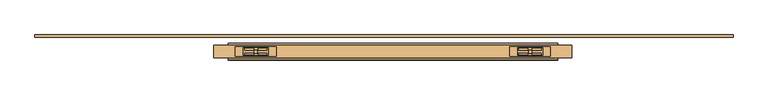
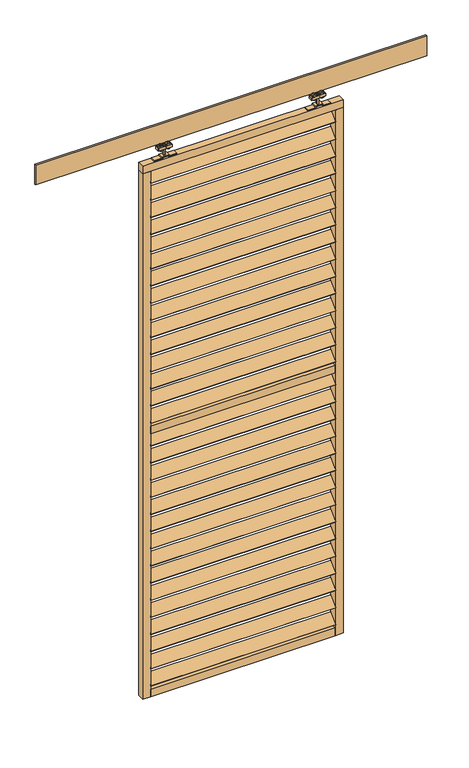
"""IFC4 building model written with IfcOpenShell, lengths in millimetres: door geometry."""

from ifc_helpers import new_model, si_unit, point, frame, frame_2d, origin, place, context, project, spatial, polyline, circle_curve, trimmed, segment, composite_curve, outline, extrude, source, transform, mapped, element, save


def door_120f4357(model_context):
    return source(origin(), model_context, "Body", "SweptSolid", [
        extrude(outline(polyline([(0.0, -5.0), (0.0, 0.0), (920.0, 0.0), (920.0, -5.0), (0.0, -5.0)])), frame((-362.5, -24.1880102, 2657.6261725), z_axis=(0.0, 0.7071067811865482, 0.707106781186547), x_axis=(1.0, 0.0, 0.0)), (0.0, 0.0, 1.0), 60.0),
        extrude(outline(polyline([(0.0, -5.0), (0.0, 0.0), (920.0, 0.0), (920.0, -5.0), (0.0, -5.0)])), frame((-362.5, -24.1880102, 2567.2333153), z_axis=(0.0, 0.7071067811865482, 0.707106781186547), x_axis=(1.0, 0.0, 0.0)), (0.0, 0.0, 1.0), 60.0),
        extrude(outline(polyline([(0.0, -5.0), (0.0, 0.0), (920.0, 0.0), (920.0, -5.0), (0.0, -5.0)])), frame((-362.5, -24.1880102, 2476.8404582), z_axis=(0.0, 0.7071067811865482, 0.707106781186547), x_axis=(1.0, 0.0, 0.0)), (0.0, 0.0, 1.0), 60.0),
        extrude(outline(polyline([(0.0, -5.0), (0.0, 0.0), (920.0, 0.0), (920.0, -5.0), (0.0, -5.0)])), frame((-362.5, -24.1880102, 2386.447601), z_axis=(0.0, 0.7071067811865482, 0.707106781186547), x_axis=(1.0, 0.0, 0.0)), (0.0, 0.0, 1.0), 60.0),
        extrude(outline(polyline([(0.0, -5.0), (0.0, 0.0), (920.0, 0.0), (920.0, -5.0), (0.0, -5.0)])), frame((-362.5, -24.1880102, 1272.1261725), z_axis=(0.0, 0.7071067811865482, 0.707106781186547), x_axis=(1.0, 0.0, 0.0)), (0.0, 0.0, 1.0), 60.0),
        extrude(outline(polyline([(0.0, -5.0), (0.0, 0.0), (920.0, 0.0), (920.0, -5.0), (0.0, -5.0)])), frame((-362.5, -24.1880102, 1181.7333153), z_axis=(0.0, 0.7071067811865482, 0.707106781186547), x_axis=(1.0, 0.0, 0.0)), (0.0, 0.0, 1.0), 60.0),
        extrude(outline(polyline([(0.0, -5.0), (0.0, 0.0), (920.0, 0.0), (920.0, -5.0), (0.0, -5.0)])), frame((-362.5, -24.1880102, 1091.3404582), z_axis=(0.0, 0.7071067811865482, 0.707106781186547), x_axis=(1.0, 0.0, 0.0)), (0.0, 0.0, 1.0), 60.0),
        extrude(outline(polyline([(0.0, -5.0), (0.0, 0.0), (920.0, 0.0), (920.0, -5.0), (0.0, -5.0)])), frame((-362.5, -24.1880102, 1000.947601), z_axis=(0.0, 0.7071067811865482, 0.707106781186547), x_axis=(1.0, 0.0, 0.0)), (0.0, 0.0, 1.0), 60.0),
        extrude(outline(polyline([(0.0, -5.0), (0.0, 0.0), (920.0, 0.0), (920.0, -5.0), (0.0, -5.0)])), frame((-362.5, -24.1880102, 2296.0547439), z_axis=(0.0, 0.7071067811865482, 0.707106781186547), x_axis=(1.0, 0.0, 0.0)), (0.0, 0.0, 1.0), 60.0),
        extrude(outline(polyline([(0.0, -5.0), (0.0, 0.0), (920.0, 0.0), (920.0, -5.0), (0.0, -5.0)])), frame((-362.5, -24.1880102, 2205.6618868), z_axis=(0.0, 0.7071067811865482, 0.707106781186547), x_axis=(1.0, 0.0, 0.0)), (0.0, 0.0, 1.0), 60.0),
        extrude(outline(polyline([(0.0, -5.0), (0.0, 0.0), (920.0, 0.0), (920.0, -5.0), (0.0, -5.0)])), frame((-362.5, -24.1880102, 2115.2690296), z_axis=(0.0, 0.7071067811865482, 0.707106781186547), x_axis=(1.0, 0.0, 0.0)), (0.0, 0.0, 1.0), 60.0),
        extrude(outline(polyline([(0.0, -5.0), (0.0, 0.0), (920.0, 0.0), (920.0, -5.0), (0.0, -5.0)])), frame((-362.5, -24.1880102, 2024.8761725), z_axis=(0.0, 0.7071067811865482, 0.707106781186547), x_axis=(1.0, 0.0, 0.0)), (0.0, 0.0, 1.0), 60.0),
        extrude(outline(polyline([(0.0, -5.0), (0.0, 0.0), (920.0, 0.0), (920.0, -5.0), (0.0, -5.0)])), frame((-362.5, -24.1880102, 910.5547439), z_axis=(0.0, 0.7071067811865482, 0.707106781186547), x_axis=(1.0, 0.0, 0.0)), (0.0, 0.0, 1.0), 60.0),
        extrude(outline(polyline([(0.0, -5.0), (0.0, 0.0), (920.0, 0.0), (920.0, -5.0), (0.0, -5.0)])), frame((-362.5, -24.1880102, 820.1618868), z_axis=(0.0, 0.7071067811865482, 0.707106781186547), x_axis=(1.0, 0.0, 0.0)), (0.0, 0.0, 1.0), 60.0),
        extrude(outline(polyline([(0.0, -5.0), (0.0, 0.0), (920.0, 0.0), (920.0, -5.0), (0.0, -5.0)])), frame((-362.5, -24.1880102, 729.7690296), z_axis=(0.0, 0.7071067811865482, 0.707106781186547), x_axis=(1.0, 0.0, 0.0)), (0.0, 0.0, 1.0), 60.0),
        extrude(outline(polyline([(0.0, -5.0), (0.0, 0.0), (920.0, 0.0), (920.0, -5.0), (0.0, -5.0)])), frame((-362.5, -24.1880102, 639.3761725), z_axis=(0.0, 0.7071067811865482, 0.707106781186547), x_axis=(1.0, 0.0, 0.0)), (0.0, 0.0, 1.0), 60.0),
        extrude(outline(polyline([(0.0, -5.0), (0.0, 0.0), (920.0, 0.0), (920.0, -5.0), (0.0, -5.0)])), frame((-362.5, -24.1880102, 1934.4833153), z_axis=(0.0, 0.7071067811865482, 0.707106781186547), x_axis=(1.0, 0.0, 0.0)), (0.0, 0.0, 1.0), 60.0),
        extrude(outline(polyline([(0.0, -5.0), (0.0, 0.0), (920.0, 0.0), (920.0, -5.0), (0.0, -5.0)])), frame((-362.5, -24.1880102, 1844.0904582), z_axis=(0.0, 0.7071067811865482, 0.707106781186547), x_axis=(1.0, 0.0, 0.0)), (0.0, 0.0, 1.0), 60.0),
        extrude(outline(polyline([(0.0, -5.0), (0.0, 0.0), (920.0, 0.0), (920.0, -5.0), (0.0, -5.0)])), frame((-362.5, -24.1880102, 1753.697601), z_axis=(0.0, 0.7071067811865482, 0.707106781186547), x_axis=(1.0, 0.0, 0.0)), (0.0, 0.0, 1.0), 60.0),
        extrude(outline(polyline([(0.0, -5.0), (0.0, 0.0), (920.0, 0.0), (920.0, -5.0), (0.0, -5.0)])), frame((-362.5, -24.1880102, 1663.3047439), z_axis=(0.0, 0.7071067811865482, 0.707106781186547), x_axis=(1.0, 0.0, 0.0)), (0.0, 0.0, 1.0), 60.0),
        extrude(outline(polyline([(0.0, -5.0), (0.0, 0.0), (920.0, 0.0), (920.0, -5.0), (0.0, -5.0)])), frame((-362.5, -24.1880102, 1572.9118868), z_axis=(0.0, 0.7071067811865482, 0.707106781186547), x_axis=(1.0, 0.0, 0.0)), (0.0, 0.0, 1.0), 60.0),
        extrude(outline(polyline([(0.0, -5.0), (0.0, 0.0), (920.0, 0.0), (920.0, -5.0), (0.0, -5.0)])), frame((-362.5, -24.1880102, 2748.0190296), z_axis=(0.0, 0.7071067811865482, 0.707106781186547), x_axis=(1.0, 0.0, 0.0)), (0.0, 0.0, 1.0), 60.0),
        extrude(outline(polyline([(0.0, -5.0), (0.0, 0.0), (920.0, 0.0), (920.0, -5.0), (0.0, -5.0)])), frame((-362.5, -24.1880102, 1482.5190296), z_axis=(0.0, 0.7071067811865482, 0.707106781186547), x_axis=(1.0, 0.0, 0.0)), (0.0, 0.0, 1.0), 60.0),
        extrude(outline(polyline([(0.0, -5.0), (0.0, 0.0), (920.0, 0.0), (920.0, -5.0), (0.0, -5.0)])), frame((-362.5, -24.1880102, 548.9833153), z_axis=(0.0, 0.7071067811865482, 0.707106781186547), x_axis=(1.0, 0.0, 0.0)), (0.0, 0.0, 1.0), 60.0),
        extrude(outline(polyline([(0.0, -5.0), (0.0, 0.0), (920.0, 0.0), (920.0, -5.0), (0.0, -5.0)])), frame((-362.5, -24.1880102, 458.5904582), z_axis=(0.0, 0.7071067811865482, 0.707106781186547), x_axis=(1.0, 0.0, 0.0)), (0.0, 0.0, 1.0), 60.0),
        extrude(outline(polyline([(0.0, -5.0), (0.0, 0.0), (920.0, 0.0), (920.0, -5.0), (0.0, -5.0)])), frame((-362.5, -24.1880102, 368.197601), z_axis=(0.0, 0.7071067811865482, 0.707106781186547), x_axis=(1.0, 0.0, 0.0)), (0.0, 0.0, 1.0), 60.0),
        extrude(outline(polyline([(0.0, -5.0), (0.0, 0.0), (920.0, 0.0), (920.0, -5.0), (0.0, -5.0)])), frame((-362.5, -24.1880102, 277.8047439), z_axis=(0.0, 0.7071067811865482, 0.707106781186547), x_axis=(1.0, 0.0, 0.0)), (0.0, 0.0, 1.0), 60.0),
        extrude(outline(polyline([(0.0, -5.0), (0.0, 0.0), (920.0, 0.0), (920.0, -5.0), (0.0, -5.0)])), frame((-362.5, -24.1880102, 187.4118868), z_axis=(0.0, 0.7071067811865482, 0.707106781186547), x_axis=(1.0, 0.0, 0.0)), (0.0, 0.0, 1.0), 60.0),
        extrude(outline(polyline([(0.0, -5.0), (0.0, 0.0), (920.0, 0.0), (920.0, -5.0), (0.0, -5.0)])), frame((-362.5, -24.1880102, 1362.5190296), z_axis=(0.0, 0.7071067811865482, 0.707106781186547), x_axis=(1.0, 0.0, 0.0)), (0.0, 0.0, 1.0), 60.0),
        extrude(outline(polyline([(0.0, -5.0), (0.0, 0.0), (920.0, 0.0), (920.0, -5.0), (0.0, -5.0)])), frame((-362.5, -24.1880102, 97.0190296), z_axis=(0.0, 0.7071067811865482, 0.707106781186547), x_axis=(1.0, 0.0, 0.0)), (0.0, 0.0, 1.0), 60.0),
        extrude(outline(polyline([(557.5, -22.2425737), (-362.5, -22.2425737), (-362.5, 12.7574263), (557.5, 12.7574263), (557.5, -22.2425737)])), frame((0.0, 0.0, 1425.5), z_axis=(0.0, 0.0, 1.0), x_axis=(1.0, 0.0, 0.0)), (0.0, 0.0, 1.0), 40.0),
        extrude(outline(polyline([(557.5, -22.2425737), (-362.5, -22.2425737), (-362.5, 12.7574263), (557.5, 12.7574263), (557.5, -22.2425737)])), frame((0.0, 0.0, 40.0), z_axis=(0.0, 0.0, 1.0), x_axis=(1.0, 0.0, 0.0)), (0.0, 0.0, 1.0), 40.0),
        extrude(outline(polyline([(597.5, -22.2425737), (-402.5, -22.2425737), (-402.5, 12.7574263), (597.5, 12.7574263), (597.5, -22.2425737)])), frame((0.0, 0.0, 2811.0), z_axis=(0.0, 0.0, 1.0), x_axis=(1.0, 0.0, 0.0)), (0.0, 0.0, 1.0), 40.0),
        extrude(outline(polyline([(-362.5, -22.2425737), (-402.5, -22.2425737), (-402.5, 12.7574263), (-362.5, 12.7574263), (-362.5, -22.2425737)])), frame((0.0, 0.0, 40.0), z_axis=(0.0, 0.0, 1.0), x_axis=(1.0, 0.0, 0.0)), (0.0, 0.0, 1.0), 2771.0),
        extrude(outline(polyline([(597.5, -22.2425737), (557.5, -22.2425737), (557.5, 12.7574263), (597.5, 12.7574263), (597.5, -22.2425737)])), frame((0.0, 0.0, 40.0), z_axis=(0.0, 0.0, 1.0), x_axis=(1.0, 0.0, 0.0)), (0.0, 0.0, 1.0), 2771.0),
        extrude(outline(composite_curve([segment(trimmed(circle_curve(frame_2d((2904.430297, -304.25)), 13.5), [point((2904.430297, -317.75))], [point((2904.430297, -290.75))], False, "CARTESIAN"), True, "CONTINUOUS"), segment(trimmed(circle_curve(frame_2d((2904.430297, -304.25)), 13.5), [point((2904.430297, -290.75))], [point((2904.430297, -317.75))], False, "CARTESIAN"), True, "CONTINUOUS")], self_intersect=False)), frame((0.0, -13.9509888, 0.0), z_axis=(0.0, 1.0, 0.0), x_axis=(0.0, 0.0, 1.0)), (0.0, 0.0, 1.0), 5.2084151),
        extrude(outline(composite_curve([segment(trimmed(circle_curve(frame_2d((2904.430297, -266.75)), 13.5), [point((2904.430297, -253.25))], [point((2904.430297, -280.25))], False, "CARTESIAN"), True, "CONTINUOUS"), segment(trimmed(circle_curve(frame_2d((2904.430297, -266.75)), 13.5), [point((2904.430297, -280.25))], [point((2904.430297, -253.25))], False, "CARTESIAN"), True, "CONTINUOUS")], self_intersect=False)), frame((0.0, -13.9509888, 0.0), z_axis=(0.0, 1.0, 0.0), x_axis=(0.0, 0.0, 1.0)), (0.0, 0.0, 1.0), 5.2084151),
        extrude(outline(composite_curve([segment(trimmed(circle_curve(frame_2d((2904.430297, -304.25)), 13.5), [point((2904.430297, -317.75))], [point((2904.430297, -290.75))], False, "CARTESIAN"), True, "CONTINUOUS"), segment(trimmed(circle_curve(frame_2d((2904.430297, -304.25)), 13.5), [point((2904.430297, -290.75))], [point((2904.430297, -317.75))], False, "CARTESIAN"), True, "CONTINUOUS")], self_intersect=False)), frame((0.0, -0.7425737, 0.0), z_axis=(0.0, 1.0, 0.0), x_axis=(0.0, 0.0, 1.0)), (0.0, 0.0, 1.0), 5.0880554),
        extrude(outline(composite_curve([segment(trimmed(circle_curve(frame_2d((2904.430297, -266.75)), 13.5), [point((2904.430297, -253.25))], [point((2904.430297, -280.25))], False, "CARTESIAN"), True, "CONTINUOUS"), segment(trimmed(circle_curve(frame_2d((2904.430297, -266.75)), 13.5), [point((2904.430297, -280.25))], [point((2904.430297, -253.25))], False, "CARTESIAN"), True, "CONTINUOUS")], self_intersect=False)), frame((0.0, -0.7425737, 0.0), z_axis=(0.0, 1.0, 0.0), x_axis=(0.0, 0.0, 1.0)), (0.0, 0.0, 1.0), 5.0880554),
        extrude(outline(polyline([(-320.5, -15.2425737), (-320.5, 5.7574263), (-250.5, 5.7574263), (-250.5, -15.2425737), (-320.5, -15.2425737)])), frame((0.0, 0.0, 2896.5), z_axis=(0.0, 0.0, 1.0), x_axis=(1.0, 0.0, 0.0)), (0.0, 0.0, 1.0), 13.0),
        extrude(outline(polyline([(-289.5, -8.7425737), (-289.5, -0.7425737), (-281.5, -0.7425737), (-281.5, -8.7425737), (-289.5, -8.7425737)])), frame((0.0, 0.0, 2855.0), z_axis=(0.0, 0.0, 1.0), x_axis=(1.0, 0.0, 0.0)), (0.0, 0.0, 1.0), 56.0),
        extrude(outline(polyline([(2855.0, -228.5), (2855.0, -266.5), (2861.0, -266.5), (2861.0, -304.5), (2855.0, -304.5), (2855.0, -342.5), (2851.0, -342.5), (2851.0, -300.5), (2857.0, -300.5), (2857.0, -270.5), (2851.0, -270.5), (2851.0, -228.5), (2855.0, -228.5)])), frame((0.0, -17.7425737, 0.0), z_axis=(0.0, 1.0, 0.0), x_axis=(0.0, 0.0, 1.0)), (0.0, 0.0, 1.0), 26.0),
        extrude(outline(composite_curve([segment(trimmed(circle_curve(frame_2d((2904.430297, 499.25)), 13.5), [point((2904.430297, 512.75))], [point((2904.430297, 485.75))], False, "CARTESIAN"), True, "CONTINUOUS"), segment(trimmed(circle_curve(frame_2d((2904.430297, 499.25)), 13.5), [point((2904.430297, 485.75))], [point((2904.430297, 512.75))], False, "CARTESIAN"), True, "CONTINUOUS")], self_intersect=False)), frame((0.0, -13.9509888, 0.0), z_axis=(0.0, 1.0, 0.0), x_axis=(0.0, 0.0, 1.0)), (0.0, 0.0, 1.0), 5.2084151),
        extrude(outline(composite_curve([segment(trimmed(circle_curve(frame_2d((2904.430297, 461.75)), 13.5), [point((2904.430297, 448.25))], [point((2904.430297, 475.25))], False, "CARTESIAN"), True, "CONTINUOUS"), segment(trimmed(circle_curve(frame_2d((2904.430297, 461.75)), 13.5), [point((2904.430297, 475.25))], [point((2904.430297, 448.25))], False, "CARTESIAN"), True, "CONTINUOUS")], self_intersect=False)), frame((0.0, -13.9509888, 0.0), z_axis=(0.0, 1.0, 0.0), x_axis=(0.0, 0.0, 1.0)), (0.0, 0.0, 1.0), 5.2084151),
        extrude(outline(composite_curve([segment(trimmed(circle_curve(frame_2d((2904.430297, 499.25)), 13.5), [point((2904.430297, 512.75))], [point((2904.430297, 485.75))], False, "CARTESIAN"), True, "CONTINUOUS"), segment(trimmed(circle_curve(frame_2d((2904.430297, 499.25)), 13.5), [point((2904.430297, 485.75))], [point((2904.430297, 512.75))], False, "CARTESIAN"), True, "CONTINUOUS")], self_intersect=False)), frame((0.0, -0.7425737, 0.0), z_axis=(0.0, 1.0, 0.0), x_axis=(0.0, 0.0, 1.0)), (0.0, 0.0, 1.0), 5.0880554),
        extrude(outline(composite_curve([segment(trimmed(circle_curve(frame_2d((2904.430297, 461.75)), 13.5), [point((2904.430297, 448.25))], [point((2904.430297, 475.25))], False, "CARTESIAN"), True, "CONTINUOUS"), segment(trimmed(circle_curve(frame_2d((2904.430297, 461.75)), 13.5), [point((2904.430297, 475.25))], [point((2904.430297, 448.25))], False, "CARTESIAN"), True, "CONTINUOUS")], self_intersect=False)), frame((0.0, -0.7425737, 0.0), z_axis=(0.0, 1.0, 0.0), x_axis=(0.0, 0.0, 1.0)), (0.0, 0.0, 1.0), 5.0880554),
        extrude(outline(polyline([(515.5, -15.2425737), (445.5, -15.2425737), (445.5, 5.7574263), (515.5, 5.7574263), (515.5, -15.2425737)])), frame((0.0, 0.0, 2896.5), z_axis=(0.0, 0.0, 1.0), x_axis=(1.0, 0.0, 0.0)), (0.0, 0.0, 1.0), 13.0),
        extrude(outline(polyline([(484.5, -8.7425737), (476.5, -8.7425737), (476.5, -0.7425737), (484.5, -0.7425737), (484.5, -8.7425737)])), frame((0.0, 0.0, 2855.0), z_axis=(0.0, 0.0, 1.0), x_axis=(1.0, 0.0, 0.0)), (0.0, 0.0, 1.0), 56.0),
        extrude(outline(polyline([(2855.0, 423.5), (2851.0, 423.5), (2851.0, 465.5), (2857.0, 465.5), (2857.0, 495.5), (2851.0, 495.5), (2851.0, 537.5), (2855.0, 537.5), (2855.0, 499.5), (2861.0, 499.5), (2861.0, 461.5), (2855.0, 461.5), (2855.0, 423.5)])), frame((0.0, -17.7425737, 0.0), z_axis=(0.0, 1.0, 0.0), x_axis=(0.0, 0.0, 1.0)), (0.0, 0.0, 1.0), 26.0),
        extrude(outline(polyline([(1047.5, 42.0), (1047.5, 35.7), (-902.5, 35.7), (-902.5, 42.0), (1047.5, 42.0)])), frame((0.0, 0.0, 2892.0), z_axis=(0.0, 0.0, 1.0), x_axis=(1.0, 0.0, 0.0)), (0.0, 0.0, 1.0), 105.0),
    ])


if __name__ == "__main__":
    model = new_model("IFC4")
    model_context = context("Model", 3, world=origin())
    ifc_project = project(units=[si_unit("LENGTHUNIT", "METRE", prefix="MILLI")], contexts=[model_context])
    site = spatial("IfcSite", under=ifc_project)
    building = spatial("IfcBuilding", under=site)
    placement = place(None, origin())
    door_shape = door_120f4357(model_context)
    element("IfcDoor", 1, at=placement, inside=building, context=model_context, shape_type="MappedRepresentation", body=[
        mapped(door_shape, transform((0.0, 0.0, 0.0), x_axis=(1.0, 0.0, 0.0), y_axis=(0.0, 1.0, 0.0), z_axis=(0.0, 0.0, 1.0))),
    ])
    save(model, "model.ifc")
